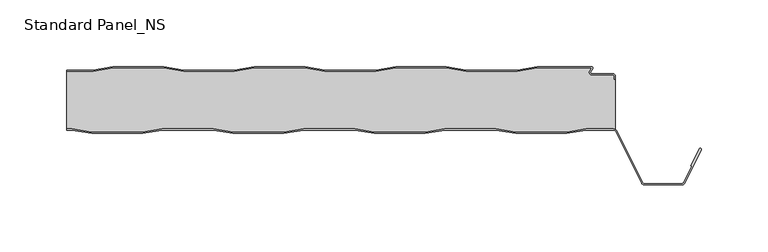
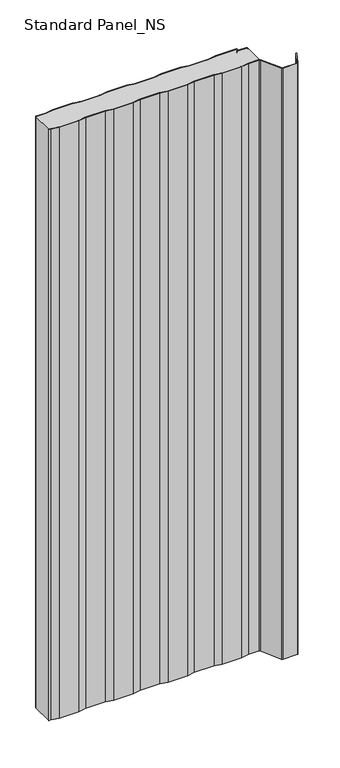
"""IFC4 building model written with IfcOpenShell, lengths in millimetres: proxy geometry, Standard Panel_NS."""

from ifc_helpers import new_model, si_unit, point, frame, frame_2d, origin, origin_with_axes, place, context, project, spatial, polyline, circle_curve, trimmed, segment, composite_curve, outline, extrude, source, transform, mapped, element, save
from ifc_brep_helpers import plane_surface, cylinder_surface, revolved_surface, advanced_brep


def standard_panel_ns_821c4f89(model_context):
    return source(origin(), model_context, "Body", "SolidModel", [
        extrude(outline(composite_curve([segment(polyline([(-203.6028864, -3.3), (-223.4042607, -3.3), (-223.4042607, -2.5), (-203.6690964, -2.5), (-188.6690964, 0.0), (-150.6690964, 0.0), (-135.6690964, -2.5), (-97.6690964, -2.5), (-82.6690964, 0.0), (-44.6690964, 0.0), (-29.6690964, -2.5), (8.3309036, -2.5), (23.3309036, 0.0), (61.3309036, 0.0), (76.3309036, -2.5), (114.3309036, -2.5), (129.3309036, 0.0), (170.1370388, 0.0)]), True, "CONTINUOUS"), segment(trimmed(circle_curve(frame_2d((170.1370388, -1.0)), 1.0), [point((170.1370388, 0.0))], [point((170.9759217, -1.5443119))], False, "CARTESIAN"), True, "CONTINUOUS"), segment(polyline([(170.9759217, -1.5443119), (169.5409513, -3.7558601)]), True, "CONTINUOUS"), segment(trimmed(circle_curve(frame_2d((170.3798342, -4.3001721)), 1.0), [point((169.5409513, -3.7558601))], [point((170.3798342, -5.3001721))], True, "CARTESIAN"), True, "CONTINUOUS"), segment(polyline([(170.3798342, -5.3001721), (185.9659043, -5.3001721)]), True, "CONTINUOUS"), segment(trimmed(circle_curve(frame_2d((185.9659043, -7.4001714)), 2.0999993), [point((185.9659043, -5.3001721))], [point((188.0659036, -7.4001714))], False, "CARTESIAN"), True, "CONTINUOUS"), segment(polyline([(188.0659036, -7.4001714), (188.0659036, -9.4001722), (187.2659036, -9.4001722), (187.2659036, -7.4001714)]), True, "CONTINUOUS"), segment(trimmed(circle_curve(frame_2d((185.9659043, -7.4001714)), 1.2999993), [point((187.2659036, -7.4001714))], [point((185.9659043, -6.1001721))], True, "CARTESIAN"), True, "CONTINUOUS"), segment(polyline([(185.9659043, -6.1001721), (170.3798342, -6.1001721)]), True, "CONTINUOUS"), segment(trimmed(circle_curve(frame_2d((170.3798342, -4.3001721)), 1.8), [point((170.3798342, -6.1001721))], [point((168.869845, -3.3204106))], False, "CARTESIAN"), True, "CONTINUOUS"), segment(polyline([(168.869845, -3.3204106), (170.5052217, -0.8), (129.3971136, -0.8), (114.3971136, -3.3), (76.2646936, -3.3), (61.2646936, -0.8), (23.3971136, -0.8), (8.3971136, -3.3), (-29.7353064, -3.3), (-44.7353064, -0.8), (-82.6028864, -0.8), (-97.6028864, -3.3), (-135.7353064, -3.3), (-150.7353064, -0.8), (-188.6028864, -0.8), (-203.6028864, -3.3)]), True, "CONTINUOUS")], self_intersect=False)), origin_with_axes(), (0.0, 0.0, 1.0), 1219.2),
        extrude(outline(composite_curve([segment(polyline([(-219.5261524, -47.5), (-223.4042607, -47.5), (-223.4042607, -46.7), (-219.4592357, -46.7), (-204.6198427, -49.2), (-166.5446313, -49.2), (-151.7052383, -46.7), (-113.4592357, -46.7), (-98.6198427, -49.2), (-60.5446313, -49.2), (-45.7052383, -46.7), (-7.4592357, -46.7), (7.3801573, -49.2), (45.4553687, -49.2), (60.2947617, -46.7), (98.5407643, -46.7), (113.3801573, -49.2), (151.4553687, -49.2), (166.2947617, -46.7), (186.5082999, -46.7)]), True, "CONTINUOUS"), segment(trimmed(circle_curve(frame_2d((186.5082999, -49.8)), 3.1), [point((186.5082999, -46.7))], [point((189.28232, -48.4162325))], False, "CARTESIAN"), True, "CONTINUOUS"), segment(polyline([(189.28232, -48.4162325), (208.4846117, -86.910808)]), True, "CONTINUOUS"), segment(trimmed(circle_curve(frame_2d((209.8268795, -86.241243)), 1.5), [point((208.4846117, -86.910808))], [point((209.8268795, -87.741243))], True, "CARTESIAN"), True, "CONTINUOUS"), segment(polyline([(209.8268795, -87.741243), (237.9816419, -87.741243)]), True, "CONTINUOUS"), segment(trimmed(circle_curve(frame_2d((237.9816419, -86.241243)), 1.5), [point((237.9816419, -87.741243))], [point((239.3236176, -86.9113932))], True, "CARTESIAN"), True, "CONTINUOUS"), segment(polyline([(239.3236176, -86.9113932), (245.3896952, -74.7640727), (244.6739749, -74.4066593), (251.018063, -61.7026227)]), True, "CONTINUOUS"), segment(trimmed(circle_curve(frame_2d((251.7337834, -62.0600361)), 0.8), [point((251.018063, -61.7026227))], [point((252.4495038, -62.4174495))], False, "CARTESIAN"), True, "CONTINUOUS"), segment(polyline([(252.4495038, -62.4174495), (240.039338, -87.2688066)]), True, "CONTINUOUS"), segment(trimmed(circle_curve(frame_2d((237.9816419, -86.241243)), 2.3), [point((240.039338, -87.2688066))], [point((237.9816419, -88.541243))], False, "CARTESIAN"), True, "CONTINUOUS"), segment(polyline([(237.9816419, -88.541243), (209.8268795, -88.541243)]), True, "CONTINUOUS"), segment(trimmed(circle_curve(frame_2d((209.8268795, -86.241243)), 2.3), [point((209.8268795, -88.541243))], [point((207.7687355, -87.2679093))], False, "CARTESIAN"), True, "CONTINUOUS"), segment(polyline([(207.7687355, -87.2679093), (188.5664438, -48.7733338)]), True, "CONTINUOUS"), segment(trimmed(circle_curve(frame_2d((186.5082999, -49.8)), 2.3), [point((188.5664438, -48.7733338))], [point((186.5082999, -47.5))], True, "CARTESIAN"), True, "CONTINUOUS"), segment(polyline([(186.5082999, -47.5), (166.3616785, -47.5), (151.5222854, -50.0), (113.3132406, -50.0), (98.4738476, -47.5), (60.3616785, -47.5), (45.5222854, -50.0), (7.3132406, -50.0), (-7.5261524, -47.5), (-45.6383215, -47.5), (-60.4777146, -50.0), (-98.6867594, -50.0), (-113.5261524, -47.5), (-151.6383215, -47.5), (-166.4777146, -50.0), (-204.6867594, -50.0), (-219.5261524, -47.5)]), True, "CONTINUOUS")], self_intersect=False)), origin_with_axes(), (0.0, 0.0, 1.0), 1219.2),
        advanced_brep(
        [(188.136916, -47.1622719, 1219.2), (188.1042607, -9.4, 1219.2), (187.2659036, -9.4, 1219.2), (187.2659036, -7.4001714, 1219.2), (185.9659043, -6.1001721, 1219.2), (170.3798342, -6.1001721, 1219.2), (168.869845, -3.3204106, 1219.2), (170.5052217, -0.8, 1219.2), (129.3971136, -0.8, 1219.2), (114.3971136, -3.3, 1219.2), (76.2646936, -3.3, 1219.2), (61.2646936, -0.8, 1219.2), (23.3971136, -0.8, 1219.2), (8.3971136, -3.3, 1219.2), (-29.7353064, -3.3, 1219.2), (-44.7353064, -0.8, 1219.2), (-82.6028864, -0.8, 1219.2), (-97.6028864, -3.3, 1219.2), (-135.7353064, -3.3, 1219.2), (-150.7353064, -0.8, 1219.2), (-188.6028864, -0.8, 1219.2), (-203.6028864, -3.3, 1219.2), (-223.4042607, -3.3, 1219.2), (-223.4042607, -46.7, 1219.2), (-219.4592357, -46.7, 1219.2), (-204.6198427, -49.2, 1219.2), (-166.5446313, -49.2, 1219.2), (-151.7052383, -46.7, 1219.2), (-113.4592357, -46.7, 1219.2), (-98.6198427, -49.2, 1219.2), (-60.5446313, -49.2, 1219.2), (-45.7052383, -46.7, 1219.2), (-7.4592357, -46.7, 1219.2), (7.3801573, -49.2, 1219.2), (45.4553687, -49.2, 1219.2), (60.2947617, -46.7, 1219.2), (98.5407643, -46.7, 1219.2), (113.3801573, -49.2, 1219.2), (151.4553687, -49.2, 1219.2), (166.2947617, -46.7, 1219.2), (186.5082999, -46.7, 1219.2), (-219.4592357, -46.7, 0.0), (-223.4042607, -46.7, 0.0), (-223.4042607, -3.3, 0.0), (-203.6028864, -3.3, 0.0), (-188.6028864, -0.8, 0.0), (-150.7353064, -0.8, 0.0), (-135.7353064, -3.3, 0.0), (-97.6028864, -3.3, 0.0), (-82.6028864, -0.8, 0.0), (-44.7353064, -0.8, 0.0), (-29.7353064, -3.3, 0.0), (8.3971136, -3.3, 0.0), (23.3971136, -0.8, 0.0), (61.2646936, -0.8, 0.0), (76.2646936, -3.3, 0.0), (114.3971136, -3.3, 0.0), (129.3971136, -0.8, 0.0), (170.5052217, -0.8, 0.0), (168.869845, -3.3204106, 0.0), (170.3798342, -6.1001721, 0.0), (185.9659043, -6.1001721, 0.0), (187.2659036, -7.4001714, 0.0), (187.2659036, -9.4001722, 0.0), (188.1042607, -9.4, 0.0), (188.136916, -47.1622719, 0.0), (186.5082999, -46.7, 0.0), (166.2947617, -46.7, 0.0), (151.4553687, -49.2, 0.0), (113.3801573, -49.2, 0.0), (98.5407643, -46.7, 0.0), (60.2947617, -46.7, 0.0), (45.4553687, -49.2, 0.0), (7.3801573, -49.2, 0.0), (-7.4592357, -46.7, 0.0), (-45.7052383, -46.7, 0.0), (-60.5446313, -49.2, 0.0), (-98.6198427, -49.2, 0.0), (-113.4592357, -46.7, 0.0), (-151.7052383, -46.7, 0.0), (-166.5446313, -49.2, 0.0), (-204.6198427, -49.2, 0.0)],
        [
            (0, 1),
            (1, 2),
            (2, 3),
            (3, 4, circle_curve(frame((185.9659043, -7.4001714, 1219.2), z_axis=(0.0, 0.0, 1.0), x_axis=(-1.0, 0.0, 0.0)), 1.2999993)),
            (4, 5),
            (5, 6, circle_curve(frame((170.3798342, -4.3001721, 1219.2), z_axis=(0.0, 0.0, -1.0), x_axis=(-1.0, 0.0, 0.0)), 1.8)),
            (6, 7),
            (7, 8),
            (8, 9),
            (9, 10),
            (10, 11),
            (11, 12),
            (12, 13),
            (13, 14),
            (14, 15),
            (15, 16),
            (16, 17),
            (17, 18),
            (18, 19),
            (19, 20),
            (20, 21),
            (21, 22),
            (22, 23),
            (23, 24),
            (24, 25),
            (25, 26),
            (26, 27),
            (27, 28),
            (28, 29),
            (29, 30),
            (30, 31),
            (31, 32),
            (32, 33),
            (33, 34),
            (34, 35),
            (35, 36),
            (36, 37),
            (37, 38),
            (38, 39),
            (39, 40),
            (40, 0, circle_curve(frame((186.5082999, -49.8, 1219.2), z_axis=(0.0, 0.0, -1.0), x_axis=(-1.0, 0.0, 0.0)), 3.1)),
            (41, 42),
            (42, 43),
            (43, 44),
            (44, 45),
            (45, 46),
            (46, 47),
            (47, 48),
            (48, 49),
            (49, 50),
            (50, 51),
            (51, 52),
            (52, 53),
            (53, 54),
            (54, 55),
            (55, 56),
            (56, 57),
            (57, 58),
            (58, 59),
            (59, 60, circle_curve(frame((170.3798342, -4.3001721, 0.0), z_axis=(0.0, 0.0, 1.0), x_axis=(-1.0, 0.0, 0.0)), 1.8)),
            (60, 61),
            (61, 62, circle_curve(frame((185.9659043, -7.4001714, 0.0), z_axis=(0.0, 0.0, -1.0), x_axis=(-1.0, 0.0, 0.0)), 1.2999993)),
            (62, 63),
            (63, 64),
            (64, 65),
            (65, 66, circle_curve(frame((186.5082999, -49.8, 0.0), z_axis=(0.0, 0.0, 1.0), x_axis=(-1.0, 0.0, 0.0)), 3.1)),
            (66, 67),
            (67, 68),
            (68, 69),
            (69, 70),
            (70, 71),
            (71, 72),
            (72, 73),
            (73, 74),
            (74, 75),
            (75, 76),
            (76, 77),
            (77, 78),
            (78, 79),
            (79, 80),
            (80, 81),
            (81, 41),
            (64, 1),
            (0, 65),
            (40, 66),
            (39, 67),
            (38, 68),
            (37, 69),
            (36, 70),
            (35, 71),
            (34, 72),
            (33, 73),
            (32, 74),
            (31, 75),
            (30, 76),
            (29, 77),
            (28, 78),
            (27, 79),
            (26, 80),
            (25, 81),
            (24, 41),
            (23, 42),
            (63, 2),
            (43, 22),
            (21, 44),
            (20, 45),
            (19, 46),
            (18, 47),
            (17, 48),
            (16, 49),
            (15, 50),
            (14, 51),
            (13, 52),
            (12, 53),
            (11, 54),
            (10, 55),
            (9, 56),
            (8, 57),
            (7, 58),
            (6, 59),
            (5, 60),
            (4, 61),
            (3, 62),
        ],
        [
            plane_surface(frame((-276.0957393, -49.2, 1219.2), z_axis=(0.0, 0.0, 1.0), x_axis=(0.0, -1.0, 0.0))),
            plane_surface(frame((-276.0957393, -49.2, 0.0), z_axis=(0.0, 0.0, -1.0), x_axis=(0.0, -1.0, 0.0))),
            plane_surface(frame((188.136916, -44.25, 1219.2), z_axis=(1.0, 0.0, 0.0), x_axis=(0.0, 0.0, -1.0))),
            revolved_surface(polyline([(183.4082999, -49.8, 0.0), (183.4082999, -49.8, 1219.2)]), (186.5082999, -49.8, 1219.2), (0.0, 0.0, -1.0)),
            plane_surface(frame((186.5082999, -46.7, 1219.2), z_axis=(0.0, -1.0, 0.0), x_axis=(0.0, 0.0, -1.0))),
            plane_surface(frame((166.2947617, -46.7, 1219.2), z_axis=(0.16612942863435848, -0.9861039564577467, 0.0), x_axis=(0.0, 0.0, -1.0))),
            plane_surface(frame((151.4553687, -49.2, 1219.2), z_axis=(0.0, -1.0, 0.0), x_axis=(0.0, 0.0, -1.0))),
            plane_surface(frame((113.3801573, -49.2, 1219.2), z_axis=(-0.16612942863454067, -0.9861039564577161, 0.0), x_axis=(0.0, 0.0, -1.0))),
            plane_surface(frame((98.5407643, -46.7, 1219.2), z_axis=(0.0, -1.0, 0.0), x_axis=(0.0, 0.0, -1.0))),
            plane_surface(frame((60.2947617, -46.7, 1219.2), z_axis=(0.1661294286345235, -0.986103956457719, 0.0), x_axis=(0.0, 0.0, -1.0))),
            plane_surface(frame((45.4553687, -49.2, 1219.2), z_axis=(0.0, -1.0, 0.0), x_axis=(0.0, 0.0, -1.0))),
            plane_surface(frame((7.3801573, -49.2, 1219.2), z_axis=(-0.16612942863454067, -0.9861039564577161, 0.0), x_axis=(0.0, 0.0, -1.0))),
            plane_surface(frame((-7.4592357, -46.7, 1219.2), z_axis=(0.0, -1.0, 0.0), x_axis=(0.0, 0.0, -1.0))),
            plane_surface(frame((-45.7052383, -46.7, 1219.2), z_axis=(0.16612942863435848, -0.9861039564577467, 0.0), x_axis=(0.0, 0.0, -1.0))),
            plane_surface(frame((-60.5446313, -49.2, 1219.2), z_axis=(0.0, -1.0, 0.0), x_axis=(0.0, 0.0, -1.0))),
            plane_surface(frame((-98.6198427, -49.2, 1219.2), z_axis=(-0.16612942863472926, -0.9861039564576843, 0.0), x_axis=(0.0, 0.0, -1.0))),
            plane_surface(frame((-113.4592357, -46.7, 1219.2), z_axis=(0.0, -1.0, 0.0), x_axis=(0.0, 0.0, -1.0))),
            plane_surface(frame((-151.7052383, -46.7, 1219.2), z_axis=(0.1661294286345235, -0.986103956457719, 0.0), x_axis=(0.0, 0.0, -1.0))),
            plane_surface(frame((-166.5446313, -49.2, 1219.2), z_axis=(0.0, -1.0, 0.0), x_axis=(0.0, 0.0, -1.0))),
            plane_surface(frame((-204.6198427, -49.2, 1219.2), z_axis=(-0.16612942863435204, -0.9861039564577478, 0.0), x_axis=(0.0, 0.0, -1.0))),
            plane_surface(frame((-219.4592357, -46.7, 1219.2), z_axis=(0.0, -1.0, 0.0), x_axis=(0.0, 0.0, -1.0))),
            plane_surface(frame((-811.8956486, -9.4, 1219.2), z_axis=(0.0, 1.0, 0.0), x_axis=(0.0, 0.0, -1.0))),
            plane_surface(frame((-241.7353064, -3.3, 1219.2), z_axis=(0.0, 1.0, 0.0), x_axis=(0.0, 0.0, -1.0))),
            plane_surface(frame((-203.6028864, -3.3, 1219.2), z_axis=(-0.1643989873053467, 0.9863939238321456, 0.0), x_axis=(0.0, 0.0, -1.0))),
            plane_surface(frame((-188.6028864, -0.8, 1219.2), z_axis=(0.0, 1.0, 0.0), x_axis=(0.0, 0.0, -1.0))),
            plane_surface(frame((-150.7353064, -0.8, 1219.2), z_axis=(0.1643989873053679, 0.9863939238321421, 0.0), x_axis=(0.0, 0.0, -1.0))),
            plane_surface(frame((-135.7353064, -3.3, 1219.2), z_axis=(0.0, 1.0, 0.0), x_axis=(0.0, 0.0, -1.0))),
            plane_surface(frame((-97.6028864, -3.3, 1219.2), z_axis=(-0.1643989873053467, 0.9863939238321456, 0.0), x_axis=(0.0, 0.0, -1.0))),
            plane_surface(frame((-82.6028864, -0.8, 1219.2), z_axis=(0.0, 1.0, 0.0), x_axis=(0.0, 0.0, -1.0))),
            plane_surface(frame((-44.7353064, -0.8, 1219.2), z_axis=(0.16439898730518315, 0.9863939238321728, 0.0), x_axis=(0.0, 0.0, -1.0))),
            plane_surface(frame((-29.7353064, -3.3, 1219.2), z_axis=(0.0, 1.0, 0.0), x_axis=(0.0, 0.0, -1.0))),
            plane_surface(frame((8.3971136, -3.3, 1219.2), z_axis=(-0.1643989873053467, 0.9863939238321456, 0.0), x_axis=(0.0, 0.0, -1.0))),
            plane_surface(frame((23.3971136, -0.8, 1219.2), z_axis=(0.0, 1.0, 0.0), x_axis=(0.0, 0.0, -1.0))),
            plane_surface(frame((61.2646936, -0.8, 1219.2), z_axis=(0.1643989873053679, 0.9863939238321421, 0.0), x_axis=(0.0, 0.0, -1.0))),
            plane_surface(frame((76.2646936, -3.3, 1219.2), z_axis=(0.0, 1.0, 0.0), x_axis=(0.0, 0.0, -1.0))),
            plane_surface(frame((114.3971136, -3.3, 1219.2), z_axis=(-0.16439898730516195, 0.9863939238321764, 0.0), x_axis=(0.0, 0.0, -1.0))),
            plane_surface(frame((129.3971136, -0.8, 1219.2), z_axis=(0.0, 1.0, 0.0), x_axis=(0.0, 0.0, -1.0))),
            plane_surface(frame((170.5052217, -0.8, 1219.2), z_axis=(0.8388828900539764, -0.5443119480359477, 0.0), x_axis=(0.0, 0.0, -1.0))),
            revolved_surface(polyline([(168.5798342, -4.3001721, 0.0), (168.5798342, -4.3001721, 1219.2)]), (170.3798342, -4.3001721, 1219.2), (0.0, 0.0, -1.0)),
            plane_surface(frame((170.3798342, -6.1001721, 1219.2), z_axis=(0.0, 1.0, 0.0), x_axis=(0.0, 0.0, -1.0))),
            cylinder_surface(frame((185.9659043, -7.4001714, 1219.2), z_axis=(0.0, 0.0, 1.0), x_axis=(-1.0, 0.0, 0.0)), 1.2999993),
            plane_surface(frame((187.2659036, -7.4001714, 1219.2), z_axis=(1.0, 0.0, 0.0), x_axis=(0.0, 0.0, -1.0))),
            plane_surface(frame((-223.4042607, 30.0, 1219.2), z_axis=(-1.0, 0.0, 0.0), x_axis=(0.0, 0.0, -1.0))),
        ],
        [
            (0, [[1, 2, 3, 4, 5, 6, 7, 8, 9, 10, 11, 12, 13, 14, 15, 16, 17, 18, 19, 20, 21, 22, 23, 24, 25, 26, 27, 28, 29, 30, 31, 32, 33, 34, 35, 36, 37, 38, 39, 40, 41]]),
            (1, [[42, 43, 44, 45, 46, 47, 48, 49, 50, 51, 52, 53, 54, 55, 56, 57, 58, 59, 60, 61, 62, 63, 64, 65, 66, 67, 68, 69, 70, 71, 72, 73, 74, 75, 76, 77, 78, 79, 80, 81, 82]]),
            (2, [[-65, 83, -1, 84]]),
            (3, [[85, -66, -84, -41]]),
            (4, [[86, -67, -85, -40]]),
            (5, [[87, -68, -86, -39]]),
            (6, [[88, -69, -87, -38]]),
            (7, [[89, -70, -88, -37]]),
            (8, [[90, -71, -89, -36]]),
            (9, [[91, -72, -90, -35]]),
            (10, [[92, -73, -91, -34]]),
            (11, [[93, -74, -92, -33]]),
            (12, [[94, -75, -93, -32]]),
            (13, [[95, -76, -94, -31]]),
            (14, [[96, -77, -95, -30]]),
            (15, [[97, -78, -96, -29]]),
            (16, [[98, -79, -97, -28]]),
            (17, [[99, -80, -98, -27]]),
            (18, [[100, -81, -99, -26]]),
            (19, [[101, -82, -100, -25]]),
            (20, [[-24, 102, -42, -101]]),
            (21, [[-64, 103, -2, -83]]),
            (22, [[-44, 104, -22, 105]]),
            (23, [[106, -45, -105, -21]]),
            (24, [[107, -46, -106, -20]]),
            (25, [[108, -47, -107, -19]]),
            (26, [[109, -48, -108, -18]]),
            (27, [[110, -49, -109, -17]]),
            (28, [[111, -50, -110, -16]]),
            (29, [[112, -51, -111, -15]]),
            (30, [[113, -52, -112, -14]]),
            (31, [[114, -53, -113, -13]]),
            (32, [[115, -54, -114, -12]]),
            (33, [[116, -55, -115, -11]]),
            (34, [[117, -56, -116, -10]]),
            (35, [[118, -57, -117, -9]]),
            (36, [[119, -58, -118, -8]]),
            (37, [[120, -59, -119, -7]]),
            (38, [[121, -60, -120, -6]]),
            (39, [[122, -61, -121, -5]]),
            (40, [[123, -62, -122, -4]]),
            (41, [[-103, -63, -123, -3]]),
            (42, [[-104, -43, -102, -23]]),
        ],
    ),
    ])


if __name__ == "__main__":
    model = new_model("IFC4")
    model_context = context("Model", 3, world=origin())
    ifc_project = project(units=[si_unit("LENGTHUNIT", "METRE", prefix="MILLI")], contexts=[model_context])
    site = spatial("IfcSite", under=ifc_project)
    building = spatial("IfcBuilding", under=site)
    placement = place(None, origin())
    standard_panel_ns_shape = standard_panel_ns_821c4f89(model_context)
    element("IfcBuildingElementProxy", 1, Name="Standard Panel_NS", ObjectType="Standard Panel_NS", at=placement, inside=building, context=model_context, shape_type="MappedRepresentation", body=[
        mapped(standard_panel_ns_shape, transform((0.0, 0.0, 0.0), x_axis=(1.0, 0.0, 0.0), y_axis=(0.0, 1.0, 0.0), z_axis=(0.0, 0.0, 1.0))),
    ])
    save(model, "model.ifc")
